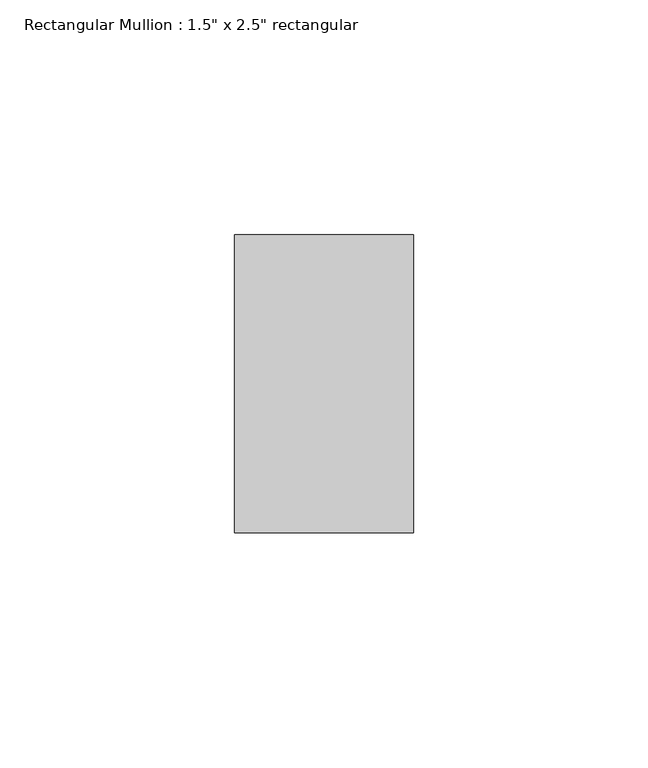
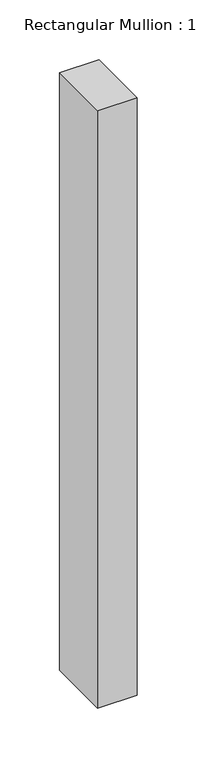
"""IFC4 building model written with IfcOpenShell, lengths in millimetres: member geometry."""

from ifc_helpers import new_model, si_unit, frame, origin, place, context, project, spatial, polyline, outline, extrude, source, transform, mapped, element, save


def member_453fbf9e(model_context):
    return source(origin(), model_context, "Body", "SweptSolid", [
        extrude(outline(polyline([(19.05, 31.75), (19.05, -31.75), (-19.05, -31.75), (-19.05, 31.75), (19.05, 31.75)])), frame((0.0, 0.0, -609.6), z_axis=(0.0, 0.0, 1.0), x_axis=(1.0, 0.0, 0.0)), (0.0, 0.0, 1.0), 609.6),
    ])


if __name__ == "__main__":
    model = new_model("IFC4")
    model_context = context("Model", 3, world=origin())
    ifc_project = project(units=[si_unit("LENGTHUNIT", "METRE", prefix="MILLI")], contexts=[model_context])
    site = spatial("IfcSite", under=ifc_project)
    building = spatial("IfcBuilding", under=site)
    placement = place(None, origin())
    member_shape = member_453fbf9e(model_context)
    element("IfcMember", 1, ObjectType="Rectangular Mullion : 1.5\" x 2.5\" rectangular", at=placement, inside=building, context=model_context, shape_type="MappedRepresentation", body=[
        mapped(member_shape, transform((0.0, 0.0, 0.0), x_axis=(1.0, 0.0, 0.0), y_axis=(0.0, 1.0, 0.0), z_axis=(0.0, 0.0, 1.0))),
    ])
    save(model, "model.ifc")
